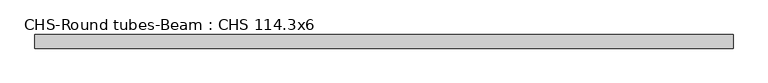
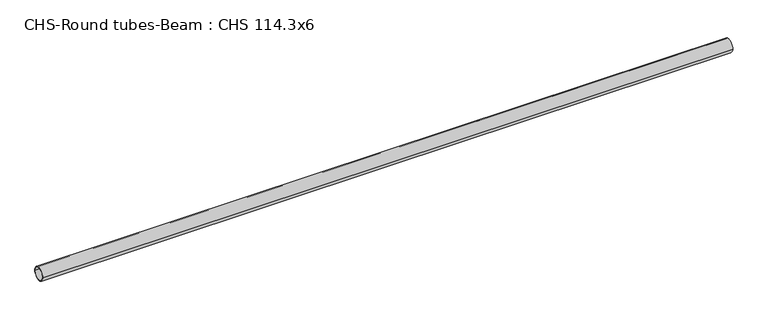
"""IFC4 building model written with IfcOpenShell, lengths in millimetres: beam geometry, CHS-Round tubes-Beam : CHS 114.3x6."""

from ifc_helpers import new_model, si_unit, point, frame, origin, origin_2d, place, context, project, spatial, circle_curve, trimmed, segment, composite_curve, outline, extrude, source, transform, mapped, element, save


def chs_round_tubes_beam_chs_114_3x6_04691dcb(model_context):
    return source(origin(), model_context, "Body", "SweptSolid", [
        extrude(outline(composite_curve([segment(trimmed(circle_curve(origin_2d(), 57.15), [point((57.15, 0.0))], [point((-57.15, 0.0))], False, "CARTESIAN"), True, "CONTINUOUS"), segment(trimmed(circle_curve(origin_2d(), 57.15), [point((-57.15, 0.0))], [point((57.15, 0.0))], False, "CARTESIAN"), True, "CONTINUOUS")], self_intersect=False), holes=[composite_curve([segment(trimmed(circle_curve(origin_2d(), 51.15), [point((51.15, 0.0))], [point((-51.15, 0.0))], True, "CARTESIAN"), True, "CONTINUOUS"), segment(trimmed(circle_curve(origin_2d(), 51.15), [point((-51.15, 0.0))], [point((51.15, 0.0))], True, "CARTESIAN"), True, "CONTINUOUS")], self_intersect=False)]), frame((-3114.9004734, 0.0, 0.0), z_axis=(1.0, 0.0, 0.0), x_axis=(0.0, 1.0, 0.0)), (0.0, 0.0, 1.0), 5860.676026),
    ])


if __name__ == "__main__":
    model = new_model("IFC4")
    model_context = context("Model", 3, world=origin())
    ifc_project = project(units=[si_unit("LENGTHUNIT", "METRE", prefix="MILLI")], contexts=[model_context])
    site = spatial("IfcSite", under=ifc_project)
    building = spatial("IfcBuilding", under=site)
    placement = place(None, origin())
    chs_round_tubes_beam_chs_114_3x6_shape = chs_round_tubes_beam_chs_114_3x6_04691dcb(model_context)
    element("IfcBeam", 1, ObjectType="CHS-Round tubes-Beam : CHS 114.3x6", at=placement, inside=building, context=model_context, shape_type="MappedRepresentation", body=[
        mapped(chs_round_tubes_beam_chs_114_3x6_shape, transform((0.0, 0.0, 0.0), x_axis=(1.0, 0.0, 0.0), y_axis=(0.0, 1.0, 0.0), z_axis=(0.0, 0.0, 1.0))),
    ])
    save(model, "model.ifc")
